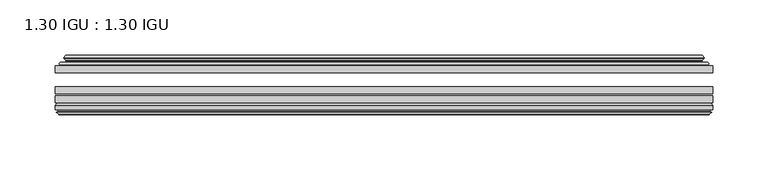
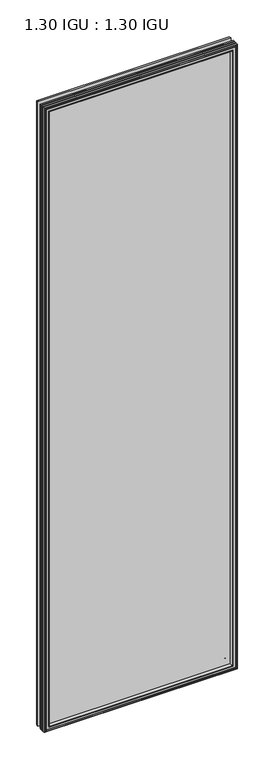
"""IFC4 building model written with IfcOpenShell, lengths in millimetres: plate geometry, 1.30 IGU : 1.30 IGU."""

from ifc_helpers import new_model, si_unit, frame, origin, place, context, project, spatial, polyline, ellipse_curve, outline, extrude, faceted_brep, source, transform, mapped, element, save
from ifc_brep_helpers import plane_surface, cylinder_surface, revolved_surface, advanced_brep


def plate_1_30_igu_1_30_igu_ed65d47b(model_context):
    return source(origin(), model_context, "Body", "SolidModel", [
        extrude(outline(polyline([(296.6906741, -44.92625), (296.6906741, -51.27625), (-296.7576209, -51.27625), (-296.7576209, -44.92625), (296.6906741, -44.92625)])), frame((0.0, 0.0, -14.2875), z_axis=(0.0, 0.0, 1.0), x_axis=(1.0, 0.0, 0.0)), (0.0, 0.0, 1.0), 2025.65),
        extrude(outline(polyline([(-296.7576209, -78.58125), (-296.7576209, -72.23125), (296.6906741, -72.23125), (296.6906741, -78.58125), (-296.7576209, -78.58125)])), frame((0.0, 0.0, -14.2875), z_axis=(0.0, 0.0, 1.0), x_axis=(1.0, 0.0, 0.0)), (0.0, 0.0, 1.0), 2025.65),
        extrude(outline(polyline([(-296.7576209, -70.32625), (-296.7576209, -63.97625), (296.6906741, -63.97625), (296.6906741, -70.32625), (-296.7576209, -70.32625)])), frame((0.0, 0.0, -14.2875), z_axis=(0.0, 0.0, 1.0), x_axis=(1.0, 0.0, 0.0)), (0.0, 0.0, 1.0), 2025.65),
        advanced_brep(
        [(-278.422411, -43.8351483, 1993.0272902), (-278.8642212, -44.92625, 1993.4691004), (-278.8642212, -44.92625, 3.6058996), (-278.422411, -43.8351483, 4.0477098), (-282.4701209, -36.11245, 1997.075), (-282.4701209, -36.11245, 0.0), (-287.6560318, -37.2935491, 2002.2609109), (-287.6560318, -37.2935491, -5.1859109), (-287.3264565, -36.4664324, 2001.9313356), (-287.3264565, -36.4664324, -4.8563356), (-287.3264565, -35.6521812, 2001.9313356), (-287.3264565, -35.6521812, -4.8563356), (-289.1427319, -37.610817, 2003.7476111), (-289.1427319, -37.610817, -6.6726111), (-289.1427319, -38.3239429, 2003.7476111), (-289.1427319, -38.3239429, -6.6726111), (-287.3264565, -40.2727974, 2001.9313356), (-287.3264565, -40.2727974, -4.8563356), (-287.3264565, -39.4683275, 2001.9313356), (-287.3264565, -39.4683275, -4.8563356), (-287.648371, -38.6604367, 2002.2532501), (-287.648371, -38.6604367, -5.1782501), (-285.1245588, -38.502045, 1999.7294379), (-285.1245588, -38.502045, -2.6544379), (-284.0987425, -39.1897544, 1998.7036217), (-284.0987425, -39.1897544, -1.6286217), (-284.2171497, -40.5842231, 1998.8220288), (-284.2171497, -40.5842231, -1.7470288), (-284.8188956, -42.08145, 1999.4237748), (-284.8188956, -42.08145, -2.3487748), (-292.7446762, -43.9898729, 2007.3495553), (-292.2590454, -42.08145, 2006.8639245), (-292.2590454, -42.08145, -9.7889245), (-292.7446762, -43.9898729, -10.2745553), (-291.0239363, -44.92625, 2005.6288155), (-291.0239363, -44.92625, -8.5538155), (278.8642212, -44.92625, 3.6058996), (278.422411, -43.8351483, 4.0477098), (282.4701209, -36.11245, 0.0), (287.6560318, -37.2935491, -5.1859109), (287.3264565, -36.4664324, -4.8563356), (287.3264565, -35.6521812, -4.8563356), (289.1427319, -37.610817, -6.6726111), (289.1427319, -38.3239429, -6.6726111), (287.3264565, -40.2727974, -4.8563356), (287.3264565, -39.4683275, -4.8563356), (287.648371, -38.6604367, -5.1782501), (285.1245588, -38.502045, -2.6544379), (284.0987425, -39.1897544, -1.6286217), (284.2171497, -40.5842231, -1.7470288), (284.8188956, -42.08145, -2.3487748), (292.2590454, -42.08145, -9.7889245), (292.7446762, -43.9898729, -10.2745553), (291.0239363, -44.92625, -8.5538155), (278.8642212, -44.92625, 1993.4691004), (278.422411, -43.8351483, 1993.0272902), (282.4701209, -36.11245, 1997.075), (287.6560318, -37.2935491, 2002.2609109), (287.3264565, -36.4664324, 2001.9313356), (287.3264565, -35.6521812, 2001.9313356), (289.1427319, -37.610817, 2003.7476111), (289.1427319, -38.3239429, 2003.7476111), (287.3264565, -40.2727974, 2001.9313356), (287.3264565, -39.4683275, 2001.9313356), (287.648371, -38.6604367, 2002.2532501), (285.1245588, -38.502045, 1999.7294379), (284.0987425, -39.1897544, 1998.7036217), (284.2171497, -40.5842231, 1998.8220288), (284.8188956, -42.08145, 1999.4237748), (292.2590454, -42.08145, 2006.8639245), (292.7446762, -43.9898729, 2007.3495553), (291.0239363, -44.92625, 2005.6288155)],
        [
            (0, 1, ellipse_curve(frame((-278.8642212, -44.29125, 1993.4691004), z_axis=(-0.7071067811865475, 0.0, -0.7071067811865475), x_axis=(-0.7071067811865474, 0.0, 0.7071067811865476)), 0.8980256, 0.635)),
            (1, 2),
            (2, 3, ellipse_curve(frame((-278.8642212, -44.29125, 3.6058996), z_axis=(-0.7071067811865475, 0.0, 0.7071067811865475), x_axis=(0.7071067811865474, 0.0, 0.7071067811865476)), 0.8980256, 0.635)),
            (3, 0),
            (4, 0, ellipse_curve(frame((-268.7373263, -33.8367745, 1983.3422054), z_axis=(0.7071067811865475, 0.0, 0.7071067811865475), x_axis=(0.7071067811865474, 0.0, -0.7071067811865476)), 19.6859517, 13.9200699)),
            (3, 5, ellipse_curve(frame((-268.7373263, -33.8367745, 13.7327946), z_axis=(0.7071067811865475, 0.0, -0.7071067811865475), x_axis=(-0.7071067811865474, 0.0, -0.7071067811865476)), 19.6859517, 13.9200699)),
            (5, 4),
            (6, 4),
            (5, 7),
            (7, 6),
            (8, 6),
            (7, 9),
            (9, 8),
            (10, 8),
            (9, 11),
            (11, 10),
            (12, 10),
            (11, 13),
            (13, 12),
            (14, 12, ellipse_curve(frame((-288.7808938, -37.96738, 2003.3857729), z_axis=(-0.7071067811865475, 0.0, -0.7071067811865475), x_axis=(-0.7071067811865474, 0.0, 0.7071067811865476)), 0.7184205, 0.508)),
            (13, 15, ellipse_curve(frame((-288.7808938, -37.96738, -6.3107729), z_axis=(-0.7071067811865475, 0.0, 0.7071067811865475), x_axis=(0.7071067811865474, 0.0, 0.7071067811865476)), 0.7184205, 0.508)),
            (15, 14),
            (16, 14),
            (15, 17),
            (17, 16),
            (18, 16),
            (17, 19),
            (19, 18),
            (20, 18),
            (19, 21),
            (21, 20),
            (22, 20),
            (21, 23),
            (23, 22),
            (24, 22, ellipse_curve(frame((-285.0609209, -39.51605, 1999.6658), z_axis=(0.7071067811865475, 0.0, 0.7071067811865475), x_axis=(0.7071067811865474, 0.0, -0.7071067811865476)), 1.436841, 1.016)),
            (23, 25, ellipse_curve(frame((-285.0609209, -39.51605, -2.5908), z_axis=(0.7071067811865475, 0.0, -0.7071067811865475), x_axis=(-0.7071067811865474, 0.0, -0.7071067811865476)), 1.436841, 1.016)),
            (25, 24),
            (26, 24, ellipse_curve(frame((-286.4325209, -39.69385, 2001.0374), z_axis=(0.7071067811865475, 0.0, 0.7071067811865475), x_axis=(0.7071067811865474, 0.0, -0.7071067811865476)), 3.3765763, 2.3876)),
            (25, 27, ellipse_curve(frame((-286.4325209, -39.69385, -3.9624), z_axis=(0.7071067811865475, 0.0, -0.7071067811865475), x_axis=(-0.7071067811865474, 0.0, -0.7071067811865476)), 3.3765763, 2.3876)),
            (27, 26),
            (28, 26),
            (27, 29),
            (29, 28),
            (30, 31, ellipse_curve(frame((-292.2590454, -43.09745, 2006.8639245), z_axis=(-0.7071067811865475, 0.0, -0.7071067811865475), x_axis=(-0.7071067811865474, 0.0, 0.7071067811865476)), 1.436841, 1.016)),
            (31, 32),
            (32, 33, ellipse_curve(frame((-292.2590454, -43.09745, -9.7889245), z_axis=(-0.7071067811865475, 0.0, 0.7071067811865475), x_axis=(0.7071067811865474, 0.0, 0.7071067811865476)), 1.436841, 1.016)),
            (33, 30),
            (34, 30),
            (33, 35),
            (35, 34),
            (2, 36),
            (36, 37, ellipse_curve(frame((278.8642212, -44.29125, 3.6058996), z_axis=(-0.7071067811865475, 0.0, -0.7071067811865475), x_axis=(-0.7071067811865476, 0.0, 0.7071067811865474)), 0.8980256, 0.635)),
            (37, 3),
            (37, 38, ellipse_curve(frame((268.7373263, -33.8367745, 13.7327946), z_axis=(0.7071067811865475, 0.0, 0.7071067811865475), x_axis=(0.7071067811865476, 0.0, -0.7071067811865474)), 19.6859517, 13.9200699)),
            (38, 5),
            (38, 39),
            (39, 7),
            (39, 40),
            (40, 9),
            (40, 41),
            (41, 11),
            (41, 42),
            (42, 13),
            (42, 43, ellipse_curve(frame((288.7808938, -37.96738, -6.3107729), z_axis=(-0.7071067811865475, 0.0, -0.7071067811865475), x_axis=(-0.7071067811865476, 0.0, 0.7071067811865474)), 0.7184205, 0.508)),
            (43, 15),
            (43, 44),
            (44, 17),
            (44, 45),
            (45, 19),
            (45, 46),
            (46, 21),
            (46, 47),
            (47, 23),
            (47, 48, ellipse_curve(frame((285.0609209, -39.51605, -2.5908), z_axis=(0.7071067811865475, 0.0, 0.7071067811865475), x_axis=(0.7071067811865476, 0.0, -0.7071067811865474)), 1.436841, 1.016)),
            (48, 25),
            (48, 49, ellipse_curve(frame((286.4325209, -39.69385, -3.9624), z_axis=(0.7071067811865475, 0.0, 0.7071067811865475), x_axis=(0.7071067811865476, 0.0, -0.7071067811865474)), 3.3765763, 2.3876)),
            (49, 27),
            (49, 50),
            (50, 29),
            (32, 51),
            (51, 52, ellipse_curve(frame((292.2590454, -43.09745, -9.7889245), z_axis=(-0.7071067811865475, 0.0, -0.7071067811865475), x_axis=(-0.7071067811865476, 0.0, 0.7071067811865474)), 1.436841, 1.016)),
            (52, 33),
            (52, 53),
            (53, 35),
            (36, 54),
            (54, 55, ellipse_curve(frame((278.8642212, -44.29125, 1993.4691004), z_axis=(0.7071067811865475, 0.0, -0.7071067811865475), x_axis=(-0.7071067811865474, 0.0, -0.7071067811865476)), 0.8980256, 0.635)),
            (55, 37),
            (55, 56, ellipse_curve(frame((268.7373263, -33.8367745, 1983.3422054), z_axis=(-0.7071067811865475, 0.0, 0.7071067811865475), x_axis=(0.7071067811865474, 0.0, 0.7071067811865476)), 19.6859517, 13.9200699)),
            (56, 38),
            (56, 57),
            (57, 39),
            (57, 58),
            (58, 40),
            (58, 59),
            (59, 41),
            (59, 60),
            (60, 42),
            (60, 61, ellipse_curve(frame((288.7808938, -37.96738, 2003.3857729), z_axis=(0.7071067811865475, 0.0, -0.7071067811865475), x_axis=(-0.7071067811865474, 0.0, -0.7071067811865476)), 0.7184205, 0.508)),
            (61, 43),
            (61, 62),
            (62, 44),
            (62, 63),
            (63, 45),
            (63, 64),
            (64, 46),
            (64, 65),
            (65, 47),
            (65, 66, ellipse_curve(frame((285.0609209, -39.51605, 1999.6658), z_axis=(-0.7071067811865475, 0.0, 0.7071067811865475), x_axis=(0.7071067811865474, 0.0, 0.7071067811865476)), 1.436841, 1.016)),
            (66, 48),
            (66, 67, ellipse_curve(frame((286.4325209, -39.69385, 2001.0374), z_axis=(-0.7071067811865475, 0.0, 0.7071067811865475), x_axis=(0.7071067811865474, 0.0, 0.7071067811865476)), 3.3765763, 2.3876)),
            (67, 49),
            (67, 68),
            (68, 50),
            (51, 69),
            (69, 70, ellipse_curve(frame((292.2590454, -43.09745, 2006.8639245), z_axis=(0.7071067811865475, 0.0, -0.7071067811865475), x_axis=(-0.7071067811865474, 0.0, -0.7071067811865476)), 1.436841, 1.016)),
            (70, 52),
            (70, 71),
            (71, 53),
            (54, 1),
            (0, 55),
            (4, 56),
            (6, 57),
            (8, 58),
            (10, 59),
            (12, 60),
            (14, 61),
            (16, 62),
            (18, 63),
            (20, 64),
            (22, 65),
            (24, 66),
            (26, 67),
            (28, 68),
            (31, 69),
            (30, 70),
            (34, 71),
        ],
        [
            cylinder_surface(frame((-278.8642212, -44.29125, 2028.825), z_axis=(0.0, 0.0, 1.0), x_axis=(-1.0, 0.0, 0.0)), 0.635),
            revolved_surface(polyline([(-282.6573962, -33.8367745, -0.18727534118079348), (-282.6573962, -33.8367745, 1997.2622753411808)]), (-268.7373263, -33.8367745, 2028.825), (0.0, 0.0, -1.0)),
            plane_surface(frame((-282.4701209, -36.11245, 1997.075), z_axis=(-0.2220649844277866, 0.975031867525922, 0.0), x_axis=(0.0, 0.0, -1.0))),
            plane_surface(frame((-287.6560318, -37.2935491, 2002.2609109), z_axis=(0.9289682685629922, -0.3701593656833182, 0.0), x_axis=(0.0, 0.0, -1.0))),
            plane_surface(frame((-287.3264565, -36.4664324, 2001.9313356), z_axis=(1.0, 0.0, 0.0), x_axis=(0.0, 0.0, -1.0))),
            plane_surface(frame((-287.3264565, -35.6521812, 2001.9313356), z_axis=(-0.7332521292723956, 0.6799568478348447, 0.0), x_axis=(0.0, 0.0, -1.0))),
            cylinder_surface(frame((-288.7808938, -37.96738, 2028.825), z_axis=(0.0, 0.0, 1.0), x_axis=(-1.0, 0.0, 0.0)), 0.508),
            plane_surface(frame((-289.1427319, -38.3239429, 2003.7476111), z_axis=(-0.7315522693036389, -0.6817853601220082, 0.0), x_axis=(0.0, 0.0, -1.0))),
            plane_surface(frame((-287.3264565, -40.2727974, 2001.9313356), z_axis=(1.0, 0.0, 0.0), x_axis=(0.0, 0.0, -1.0))),
            plane_surface(frame((-287.3264565, -39.4683275, 2001.9313356), z_axis=(0.9289682685631103, 0.37015936568302166, 0.0), x_axis=(0.0, 0.0, -1.0))),
            plane_surface(frame((-287.648371, -38.6604367, 2002.2532501), z_axis=(0.06263570119321646, -0.9980364567169048, 0.0), x_axis=(0.0, 0.0, -1.0))),
            revolved_surface(polyline([(-286.0769209, -39.51605, -3.6068000145867245), (-286.0769209, -39.51605, 2000.6818000145868)]), (-285.0609209, -39.51605, 2028.825), (0.0, 0.0, -1.0)),
            revolved_surface(polyline([(-288.8201209, -39.69385, -6.3499999989237494), (-288.8201209, -39.69385, 2003.4249999989238)]), (-286.4325209, -39.69385, 2028.825), (0.0, 0.0, -1.0)),
            plane_surface(frame((-284.2171497, -40.5842231, 1998.8220288), z_axis=(-0.9278652925428912, 0.372915538553028, 0.0), x_axis=(0.0, 0.0, -1.0))),
            cylinder_surface(frame((-292.2590454, -43.09745, 2028.825), z_axis=(0.0, 0.0, 1.0), x_axis=(-1.0, 0.0, 0.0)), 1.016),
            plane_surface(frame((-292.7446762, -43.9898729, 2007.3495553), z_axis=(-0.477983117370979, -0.8783690223979447, 0.0), x_axis=(0.0, 0.0, -1.0))),
            cylinder_surface(frame((-314.2201209, -44.29125, 3.6058996), z_axis=(-1.0, 0.0, 0.0), x_axis=(0.0, 0.0, -1.0)), 0.635),
            revolved_surface(polyline([(282.6573962411808, -33.8367745, -0.1872752999999996), (-282.65739624118083, -33.8367745, -0.1872752999999996)]), (-314.2201209, -33.8367745, 13.7327946), (1.0, 0.0, 0.0)),
            plane_surface(frame((-282.4701209, -36.11245, 0.0), z_axis=(0.0, 0.9750318675259213, -0.22206498442778974), x_axis=(1.0, 0.0, 0.0))),
            plane_surface(frame((-287.6560318, -37.2935491, -5.1859109), z_axis=(0.0, -0.3701593656833152, 0.9289682685629934), x_axis=(1.0, 0.0, 0.0))),
            plane_surface(frame((-287.3264565, -36.4664324, -4.8563356), z_axis=(0.0, 0.0, 1.0), x_axis=(1.0, 0.0, 0.0))),
            plane_surface(frame((-287.3264565, -35.6521812, -4.8563356), z_axis=(0.0, 0.6799568478348423, -0.7332521292723978), x_axis=(1.0, 0.0, 0.0))),
            cylinder_surface(frame((-314.2201209, -37.96738, -6.3107729), z_axis=(-1.0, 0.0, 0.0), x_axis=(0.0, 0.0, -1.0)), 0.508),
            plane_surface(frame((-289.1427319, -38.3239429, -6.6726111), z_axis=(0.0, -0.6817853601220105, -0.7315522693036367), x_axis=(1.0, 0.0, 0.0))),
            plane_surface(frame((-287.3264565, -40.2727974, -4.8563356), z_axis=(0.0, 0.0, 1.0), x_axis=(1.0, 0.0, 0.0))),
            plane_surface(frame((-287.3264565, -39.4683275, -4.8563356), z_axis=(0.0, 0.37015936568302465, 0.9289682685631091), x_axis=(1.0, 0.0, 0.0))),
            plane_surface(frame((-287.648371, -38.6604367, -5.1782501), z_axis=(0.0, -0.9980364567169046, 0.06263570119321968), x_axis=(1.0, 0.0, 0.0))),
            revolved_surface(polyline([(286.0769209145868, -39.51605, -3.6068000000000002), (-286.0769209145868, -39.51605, -3.6068000000000002)]), (-314.2201209, -39.51605, -2.5908), (1.0, 0.0, 0.0)),
            revolved_surface(polyline([(288.82012089892373, -39.69385, -6.35), (-288.8201208989238, -39.69385, -6.35)]), (-314.2201209, -39.69385, -3.9624), (1.0, 0.0, 0.0)),
            plane_surface(frame((-284.2171497, -40.5842231, -1.7470288), z_axis=(0.0, 0.372915538553025, -0.9278652925428924), x_axis=(1.0, 0.0, 0.0))),
            cylinder_surface(frame((-314.2201209, -43.09745, -9.7889245), z_axis=(-1.0, 0.0, 0.0), x_axis=(0.0, 0.0, -1.0)), 1.016),
            plane_surface(frame((-292.7446762, -43.9898729, -10.2745553), z_axis=(0.0, -0.8783690223979462, -0.47798311737097615), x_axis=(1.0, 0.0, 0.0))),
            cylinder_surface(frame((278.8642212, -44.29125, -31.75), z_axis=(0.0, 0.0, -1.0), x_axis=(1.0, 0.0, 0.0)), 0.635),
            revolved_surface(polyline([(282.6573962, -33.8367745, 1997.2622753411808), (282.6573962, -33.8367745, -0.1872753411808432)]), (268.7373263, -33.8367745, -31.75), (0.0, 0.0, 1.0)),
            plane_surface(frame((282.4701209, -36.11245, 0.0), z_axis=(0.22206498442779285, 0.9750318675259205, 0.0), x_axis=(0.0, 0.0, 1.0))),
            plane_surface(frame((287.6560318, -37.2935491, -5.1859109), z_axis=(-0.9289682685629946, -0.3701593656833122, 0.0), x_axis=(0.0, 0.0, 1.0))),
            plane_surface(frame((287.3264565, -36.4664324, -4.8563356), z_axis=(-1.0, 0.0, 0.0), x_axis=(0.0, 0.0, 1.0))),
            plane_surface(frame((287.3264565, -35.6521812, -4.8563356), z_axis=(0.7332521292724, 0.67995684783484, 0.0), x_axis=(0.0, 0.0, 1.0))),
            cylinder_surface(frame((288.7808938, -37.96738, -31.75), z_axis=(0.0, 0.0, -1.0), x_axis=(1.0, 0.0, 0.0)), 0.508),
            plane_surface(frame((289.1427319, -38.3239429, -6.6726111), z_axis=(0.7315522693036345, -0.6817853601220129, 0.0), x_axis=(0.0, 0.0, 1.0))),
            plane_surface(frame((287.3264565, -40.2727974, -4.8563356), z_axis=(-1.0, 0.0, 0.0), x_axis=(0.0, 0.0, 1.0))),
            plane_surface(frame((287.3264565, -39.4683275, -4.8563356), z_axis=(-0.928968268563108, 0.3701593656830277, 0.0), x_axis=(0.0, 0.0, 1.0))),
            plane_surface(frame((287.648371, -38.6604367, -5.1782501), z_axis=(-0.0626357011932229, -0.9980364567169043, 0.0), x_axis=(0.0, 0.0, 1.0))),
            revolved_surface(polyline([(286.0769209, -39.51605, 2000.6818000145868), (286.0769209, -39.51605, -3.606800014586863)]), (285.0609209, -39.51605, -31.75), (0.0, 0.0, 1.0)),
            revolved_surface(polyline([(288.8201209, -39.69385, 2003.4249999989238), (288.8201209, -39.69385, -6.349999998923781)]), (286.4325209, -39.69385, -31.75), (0.0, 0.0, 1.0)),
            plane_surface(frame((284.2171497, -40.5842231, -1.7470288), z_axis=(0.9278652925428936, 0.372915538553022, 0.0), x_axis=(0.0, 0.0, 1.0))),
            cylinder_surface(frame((292.2590454, -43.09745, -31.75), z_axis=(0.0, 0.0, -1.0), x_axis=(1.0, 0.0, 0.0)), 1.016),
            plane_surface(frame((292.7446762, -43.9898729, -10.2745553), z_axis=(0.4779831173709733, -0.8783690223979478, 0.0), x_axis=(0.0, 0.0, 1.0))),
            cylinder_surface(frame((314.2201209, -44.29125, 1993.4691004), z_axis=(1.0, 0.0, 0.0), x_axis=(0.0, 0.0, 1.0)), 0.635),
            revolved_surface(polyline([(-282.6573962411808, -33.8367745, 1997.2622753), (282.65739624118083, -33.8367745, 1997.2622753)]), (314.2201209, -33.8367745, 1983.3422054), (-1.0, 0.0, 0.0)),
            plane_surface(frame((282.4701209, -36.11245, 1997.075), z_axis=(0.0, 0.9750318675259212, 0.2220649844277897), x_axis=(-1.0, 0.0, 0.0))),
            plane_surface(frame((287.6560318, -37.2935491, 2002.2609109), z_axis=(0.0, -0.3701593656833152, -0.9289682685629934), x_axis=(-1.0, 0.0, 0.0))),
            plane_surface(frame((287.3264565, -36.4664324, 2001.9313356), z_axis=(0.0, 0.0, -1.0), x_axis=(-1.0, 0.0, 0.0))),
            plane_surface(frame((287.3264565, -35.6521812, 2001.9313356), z_axis=(0.0, 0.6799568478348423, 0.7332521292723978), x_axis=(-1.0, 0.0, 0.0))),
            cylinder_surface(frame((314.2201209, -37.96738, 2003.3857729), z_axis=(1.0, 0.0, 0.0), x_axis=(0.0, 0.0, 1.0)), 0.508),
            plane_surface(frame((289.1427319, -38.3239429, 2003.7476111), z_axis=(0.0, -0.6817853601220105, 0.7315522693036367), x_axis=(-1.0, 0.0, 0.0))),
            plane_surface(frame((287.3264565, -40.2727974, 2001.9313356), z_axis=(0.0, 0.0, -1.0), x_axis=(-1.0, 0.0, 0.0))),
            plane_surface(frame((287.3264565, -39.4683275, 2001.9313356), z_axis=(0.0, 0.3701593656830247, -0.9289682685631092), x_axis=(-1.0, 0.0, 0.0))),
            plane_surface(frame((287.648371, -38.6604367, 2002.2532501), z_axis=(0.0, -0.9980364567169046, -0.06263570119321968), x_axis=(-1.0, 0.0, 0.0))),
            revolved_surface(polyline([(-286.0769209145868, -39.51605, 2000.6818), (286.0769209145868, -39.51605, 2000.6818)]), (314.2201209, -39.51605, 1999.6658), (-1.0, 0.0, 0.0)),
            revolved_surface(polyline([(-288.82012089892373, -39.69385, 2003.425), (288.8201208989238, -39.69385, 2003.425)]), (314.2201209, -39.69385, 2001.0374), (-1.0, 0.0, 0.0)),
            plane_surface(frame((284.2171497, -40.5842231, 1998.8220288), z_axis=(0.0, 0.372915538553025, 0.9278652925428924), x_axis=(-1.0, 0.0, 0.0))),
            plane_surface(frame((284.8188956, -42.08145, 1999.4237748), z_axis=(0.0, 1.0, 0.0), x_axis=(-1.0, 0.0, 0.0))),
            cylinder_surface(frame((314.2201209, -43.09745, 2006.8639245), z_axis=(1.0, 0.0, 0.0), x_axis=(0.0, 0.0, 1.0)), 1.016),
            plane_surface(frame((292.7446762, -43.9898729, 2007.3495553), z_axis=(0.0, -0.8783690223979462, 0.47798311737097615), x_axis=(-1.0, 0.0, 0.0))),
            plane_surface(frame((291.0239363, -44.92625, 2005.6288155), z_axis=(0.0, -1.0, 0.0), x_axis=(-1.0, 0.0, 0.0))),
        ],
        [
            (0, [[1, 2, 3, 4]]),
            (1, [[5, -4, 6, 7]]),
            (2, [[8, -7, 9, 10]]),
            (3, [[11, -10, 12, 13]]),
            (4, [[14, -13, 15, 16]]),
            (5, [[17, -16, 18, 19]]),
            (6, [[20, -19, 21, 22]]),
            (7, [[23, -22, 24, 25]]),
            (8, [[26, -25, 27, 28]]),
            (9, [[29, -28, 30, 31]]),
            (10, [[32, -31, 33, 34]]),
            (11, [[35, -34, 36, 37]]),
            (12, [[38, -37, 39, 40]]),
            (13, [[41, -40, 42, 43]]),
            (14, [[44, 45, 46, 47]]),
            (15, [[48, -47, 49, 50]]),
            (16, [[-3, 51, 52, 53]]),
            (17, [[-6, -53, 54, 55]]),
            (18, [[-9, -55, 56, 57]]),
            (19, [[-12, -57, 58, 59]]),
            (20, [[-15, -59, 60, 61]]),
            (21, [[-18, -61, 62, 63]]),
            (22, [[-21, -63, 64, 65]]),
            (23, [[-24, -65, 66, 67]]),
            (24, [[-27, -67, 68, 69]]),
            (25, [[-30, -69, 70, 71]]),
            (26, [[-33, -71, 72, 73]]),
            (27, [[-36, -73, 74, 75]]),
            (28, [[-39, -75, 76, 77]]),
            (29, [[-42, -77, 78, 79]]),
            (30, [[-46, 80, 81, 82]]),
            (31, [[-49, -82, 83, 84]]),
            (32, [[-52, 85, 86, 87]]),
            (33, [[-54, -87, 88, 89]]),
            (34, [[-56, -89, 90, 91]]),
            (35, [[-58, -91, 92, 93]]),
            (36, [[-60, -93, 94, 95]]),
            (37, [[-62, -95, 96, 97]]),
            (38, [[-64, -97, 98, 99]]),
            (39, [[-66, -99, 100, 101]]),
            (40, [[-68, -101, 102, 103]]),
            (41, [[-70, -103, 104, 105]]),
            (42, [[-72, -105, 106, 107]]),
            (43, [[-74, -107, 108, 109]]),
            (44, [[-76, -109, 110, 111]]),
            (45, [[-78, -111, 112, 113]]),
            (46, [[-81, 114, 115, 116]]),
            (47, [[-83, -116, 117, 118]]),
            (48, [[-86, 119, -1, 120]]),
            (49, [[-88, -120, -5, 121]]),
            (50, [[-90, -121, -8, 122]]),
            (51, [[-92, -122, -11, 123]]),
            (52, [[-94, -123, -14, 124]]),
            (53, [[-96, -124, -17, 125]]),
            (54, [[-98, -125, -20, 126]]),
            (55, [[-100, -126, -23, 127]]),
            (56, [[-102, -127, -26, 128]]),
            (57, [[-104, -128, -29, 129]]),
            (58, [[-106, -129, -32, 130]]),
            (59, [[-108, -130, -35, 131]]),
            (60, [[-110, -131, -38, 132]]),
            (61, [[-112, -132, -41, 133]]),
            (62, [[134, -114, -80, -45], [-79, -113, -133, -43]]),
            (63, [[-115, -134, -44, 135]]),
            (64, [[-117, -135, -48, 136]]),
            (65, [[-84, -118, -136, -50], [-119, -85, -51, -2]]),
        ],
    ),
        faceted_brep([(-278.6159036, -78.58125, 1993.2207827), (-281.1822006, -87.47125, 1995.7870798), (-281.1822006, -87.47125, 1.2879202), (-278.6159036, -78.58125, 3.8542173), (-296.7703209, -80.7883102, 2011.3752), (-294.5632606, -78.58125, 2009.1681398), (-294.5632606, -78.58125, -12.0931398), (-296.7703209, -80.7883102, -14.3002), (-296.7703209, -84.93125, 2011.3752), (-296.7703209, -84.93125, -14.3002), (-294.3512984, -86.11489, 2008.9561775), (-295.1904891, -84.93125, 2009.7953682), (-295.1904891, -84.93125, -12.7203682), (-294.3512984, -86.11489, -11.8811775), (-294.1541209, -87.4125884, 2008.759), (-294.1541209, -87.4125884, -11.684), (-295.1297808, -86.8828917, 2009.73466), (-295.1297808, -86.8828917, -12.65966), (-293.5953209, -88.6999663, 2008.2002), (-295.9224514, -86.8828917, 2010.5273305), (-295.9224514, -86.8828917, -13.4523305), (-293.5953209, -88.6999663, -11.1252), (-291.2681904, -86.8828917, 2005.8730695), (-291.2681904, -86.8828917, -8.7980695), (-293.0365209, -87.4125884, 2007.6414), (-292.0608609, -86.8828917, 2006.66574), (-292.0608609, -86.8828917, -9.59074), (-293.0365209, -87.4125884, -10.5664), (-292.8393433, -86.11489, 2007.4442225), (-292.8393433, -86.11489, -10.3692225), (-291.9697209, -84.93125, 2006.5746), (-291.9697209, -84.93125, -9.4996), (-282.8214876, -87.47125, 1997.4263667), (-282.2923209, -84.93125, 1996.8972), (-282.2923209, -84.93125, 0.1778), (-282.8214876, -87.47125, -0.3513667), (281.1822006, -87.47125, 1.2879202), (278.6159036, -78.58125, 3.8542173), (294.5632606, -78.58125, -12.0931398), (296.7703209, -80.7883102, -14.3002), (296.7703209, -84.93125, -14.3002), (295.1904891, -84.93125, -12.7203682), (294.3512984, -86.11489, -11.8811775), (294.1541209, -87.4125884, -11.684), (295.1297808, -86.8828917, -12.65966), (295.9224514, -86.8828917, -13.4523305), (293.5953209, -88.6999663, -11.1252), (291.2681904, -86.8828917, -8.7980695), (292.0608609, -86.8828917, -9.59074), (293.0365209, -87.4125884, -10.5664), (292.8393433, -86.11489, -10.3692225), (291.9697209, -84.93125, -9.4996), (282.2923209, -84.93125, 0.1778), (282.8214876, -87.47125, -0.3513667), (281.1822006, -87.47125, 1995.7870798), (278.6159036, -78.58125, 1993.2207827), (294.5632606, -78.58125, 2009.1681398), (296.7703209, -80.7883102, 2011.3752), (296.7703209, -84.93125, 2011.3752), (295.1904891, -84.93125, 2009.7953682), (294.3512984, -86.11489, 2008.9561775), (294.1541209, -87.4125884, 2008.759), (295.1297808, -86.8828917, 2009.73466), (295.9224514, -86.8828917, 2010.5273305), (293.5953209, -88.6999663, 2008.2002), (291.2681904, -86.8828917, 2005.8730695), (292.0608609, -86.8828917, 2006.66574), (293.0365209, -87.4125884, 2007.6414), (292.8393433, -86.11489, 2007.4442225), (291.9697209, -84.93125, 2006.5746), (282.2923209, -84.93125, 1996.8972), (282.8214876, -87.47125, 1997.4263667)], [[[0, 1, 2, 3]], [[4, 5, 6, 7]], [[8, 4, 7, 9]], [[10, 11, 12, 13]], [[14, 10, 13, 15]], [[16, 14, 15, 17]], [[18, 19, 20, 21]], [[22, 18, 21, 23]], [[24, 25, 26, 27]], [[28, 24, 27, 29]], [[30, 28, 29, 31]], [[32, 33, 34, 35]], [[3, 2, 36, 37]], [[7, 6, 38, 39]], [[9, 7, 39, 40]], [[13, 12, 41, 42]], [[15, 13, 42, 43]], [[17, 15, 43, 44]], [[21, 20, 45, 46]], [[23, 21, 46, 47]], [[27, 26, 48, 49]], [[29, 27, 49, 50]], [[31, 29, 50, 51]], [[35, 34, 52, 53]], [[37, 36, 54, 55]], [[39, 38, 56, 57]], [[40, 39, 57, 58]], [[42, 41, 59, 60]], [[43, 42, 60, 61]], [[44, 43, 61, 62]], [[46, 45, 63, 64]], [[47, 46, 64, 65]], [[49, 48, 66, 67]], [[50, 49, 67, 68]], [[51, 50, 68, 69]], [[53, 52, 70, 71]], [[55, 54, 1, 0]], [[5, 56, 38, 6], [3, 37, 55, 0]], [[57, 56, 5, 4]], [[58, 57, 4, 8]], [[9, 40, 58, 8], [11, 59, 41, 12]], [[60, 59, 11, 10]], [[61, 60, 10, 14]], [[62, 61, 14, 16]], [[19, 63, 45, 20], [17, 44, 62, 16]], [[64, 63, 19, 18]], [[65, 64, 18, 22]], [[25, 66, 48, 26], [23, 47, 65, 22]], [[67, 66, 25, 24]], [[68, 67, 24, 28]], [[69, 68, 28, 30]], [[31, 51, 69, 30], [33, 70, 52, 34]], [[71, 70, 33, 32]], [[35, 53, 71, 32], [1, 54, 36, 2]]]),
    ])


if __name__ == "__main__":
    model = new_model("IFC4")
    model_context = context("Model", 3, world=origin())
    ifc_project = project(units=[si_unit("LENGTHUNIT", "METRE", prefix="MILLI")], contexts=[model_context])
    site = spatial("IfcSite", under=ifc_project)
    building = spatial("IfcBuilding", under=site)
    placement = place(None, origin())
    plate_1_30_igu_1_30_igu_shape = plate_1_30_igu_1_30_igu_ed65d47b(model_context)
    element("IfcPlate", 1, ObjectType="1.30 IGU : 1.30 IGU", at=placement, inside=building, context=model_context, shape_type="MappedRepresentation", body=[
        mapped(plate_1_30_igu_1_30_igu_shape, transform((0.0, 0.0, 0.0), x_axis=(1.0, 0.0, 0.0), y_axis=(0.0, 1.0, 0.0), z_axis=(0.0, 0.0, 1.0))),
    ])
    save(model, "model.ifc")
